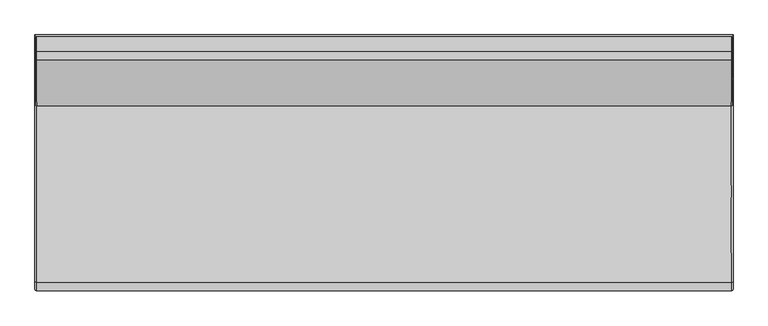
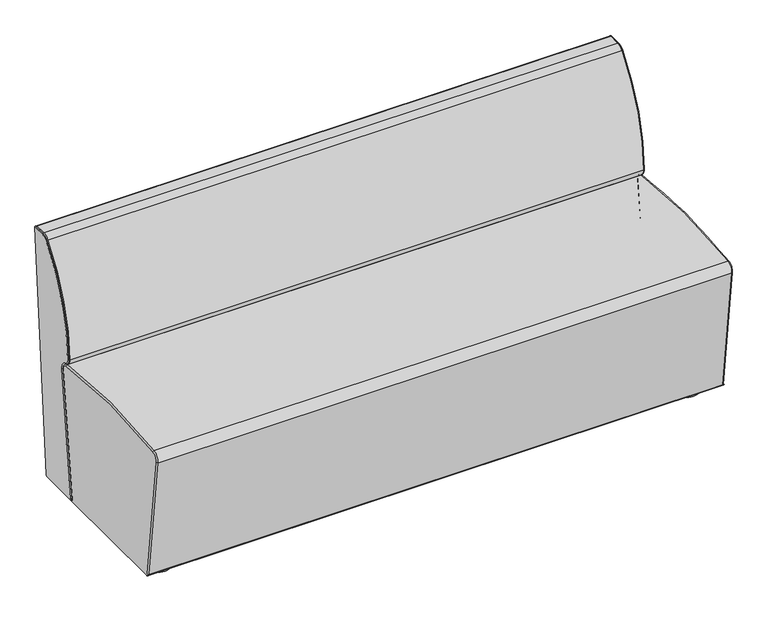
"""IFC4 building model written with IfcOpenShell, lengths in millimetres: furniture geometry."""

import ifcopenshell
import ifcopenshell.guid

model = None  # the IFC model being written
_history = None  # IfcOwnerHistory: only IFC2X3 demands one
_inside = {}  # id of a spatial element -> (the spatial element, [elements in it])
_under = {}  # id of a project, library or spatial element -> (it, [spatial elements below it])
_declared = {}  # id of a project -> (the project, [libraries it declares])
_typed = {}  # id of a type object -> (the type object, [elements of that type])
_made_of = {}  # id of a material, layer set ... -> (it, [elements and type objects made of it])


def new_model(schema):
    """Start an empty IFC model of exactly this schema.

    Asked for "IFC4X3", IfcOpenShell would pick the latest addendum, in which some entities
    have other attributes; the version numbers below select the first issue.
    IFC2X3 requires an IfcOwnerHistory on every rooted entity: one is made here for all.
    """
    global model, _history
    if schema == "IFC4X3":
        model = ifcopenshell.file(schema_version=(4, 3, 0, 0))
    else:
        model = ifcopenshell.file(schema=schema)
    _inside.clear()
    _under.clear()
    _declared.clear()
    _typed.clear()
    _made_of.clear()
    _history = None
    if model.schema == "IFC2X3":
        org = make("IfcOrganization", Name="unknown")
        user = make(
            "IfcPersonAndOrganization",
            ThePerson=make("IfcPerson", FamilyName="unknown"),
            TheOrganization=org,
        )
        app = make(
            "IfcApplication",
            ApplicationDeveloper=org,
            Version="unknown",
            ApplicationFullName="unknown",
            ApplicationIdentifier="unknown",
        )
        _history = make(
            "IfcOwnerHistory",
            OwningUser=user,
            OwningApplication=app,
            ChangeAction="ADDED",
            CreationDate=0,
        )
    return model


def make(cls, **values):
    """One entity of the class cls with the attributes given. An attribute that is None is left unset."""
    return model.create_entity(
        cls, **{name: value for name, value in values.items() if value is not None}
    )


def rooted(cls, **values):
    """An entity with a GlobalId (a new one), such as an element, a storey or a relation."""
    return make(cls, GlobalId=ifcopenshell.guid.new(), OwnerHistory=_history, **values)


def si_unit(unit_type, name, prefix=None):
    """IfcSIUnit, for example si_unit("LENGTHUNIT", "METRE", prefix="MILLI")."""
    return make("IfcSIUnit", UnitType=unit_type, Prefix=prefix, Name=name)


def assignment(units):
    """IfcUnitAssignment: the units of a project."""
    return None if units is None else make("IfcUnitAssignment", Units=units)


def point(xyz):
    """IfcCartesianPoint."""
    return None if xyz is None else make("IfcCartesianPoint", Coordinates=xyz)


def direction(xyz):
    """IfcDirection."""
    return None if xyz is None else make("IfcDirection", DirectionRatios=xyz)


def frame(location, z_axis=None, x_axis=None):
    """IfcAxis2Placement3D, a coordinate frame: its origin and axes. An axis left out is left unset."""
    return make(
        "IfcAxis2Placement3D",
        Location=point(location),
        Axis=direction(z_axis),
        RefDirection=direction(x_axis),
    )


def frame_2d(location, x_axis=None):
    """IfcAxis2Placement2D, a coordinate frame in the plane: its origin and x axis."""
    return make(
        "IfcAxis2Placement2D", Location=point(location), RefDirection=direction(x_axis)
    )


def origin():
    """The frame at (0, 0, 0) with its axes left unset."""
    return frame((0.0, 0.0, 0.0))


def origin_with_axes():
    """The frame at (0, 0, 0) with the z axis (0, 0, 1) and the x axis (1, 0, 0) written out."""
    return frame((0.0, 0.0, 0.0), z_axis=(0.0, 0.0, 1.0), x_axis=(1.0, 0.0, 0.0))


def place(relative_to, where):
    """IfcLocalPlacement: puts the frame where relative to a parent placement (None: the world)."""
    return make(
        "IfcLocalPlacement", PlacementRelTo=relative_to, RelativePlacement=where
    )


def context(
    kind, dimensions, precision=None, world=None, true_north=None, identifier=None
):
    """IfcGeometricRepresentationContext, for example the 3D "Model" context."""
    return make(
        "IfcGeometricRepresentationContext",
        ContextIdentifier=identifier,
        ContextType=kind,
        CoordinateSpaceDimension=dimensions,
        Precision=precision,
        WorldCoordinateSystem=world,
        TrueNorth=true_north,
    )


def project(units=None, contexts=None):
    """IfcProject with its units and contexts."""
    return rooted(
        "IfcProject",
        Name="project",
        RepresentationContexts=contexts,
        UnitsInContext=assignment(units),
    )


def spatial(cls, under=None, at=None, **own):
    """A site, building, storey or space (cls), placed at a placement, below another one or the project."""
    s = rooted(cls, ObjectPlacement=at, **own)
    if under is not None:
        _under.setdefault(under.id(), (under, []))[1].append(s)
    return s


def polyline(points):
    """IfcPolyline through the points."""
    return make("IfcPolyline", Points=[point(p) for p in points])


def circle_curve(where, radius):
    """IfcCircle in the frame where."""
    return make("IfcCircle", Position=where, Radius=radius)


def ellipse_curve(where, semi_axis1, semi_axis2):
    """IfcEllipse in the frame where."""
    return make(
        "IfcEllipse", Position=where, SemiAxis1=semi_axis1, SemiAxis2=semi_axis2
    )


def trimmed(basis, trim1, trim2, sense, master):
    """IfcTrimmedCurve: the piece of a basis curve between two trims."""
    return make(
        "IfcTrimmedCurve",
        BasisCurve=basis,
        Trim1=trim1,
        Trim2=trim2,
        SenseAgreement=sense,
        MasterRepresentation=master,
    )


def segment(curve, same_sense, transition):
    """IfcCompositeCurveSegment."""
    return make(
        "IfcCompositeCurveSegment",
        Transition=transition,
        SameSense=same_sense,
        ParentCurve=curve,
    )


def composite_curve(segments, self_intersect=None):
    """IfcCompositeCurve: segments joined end to end."""
    return make("IfcCompositeCurve", Segments=segments, SelfIntersect=self_intersect)


def outline(outer, holes=None, kind="AREA"):
    """IfcArbitraryClosedProfileDef: a profile drawn as a closed curve; with holes, ...WithVoids."""
    if holes is None:
        return make("IfcArbitraryClosedProfileDef", ProfileType=kind, OuterCurve=outer)
    return make(
        "IfcArbitraryProfileDefWithVoids",
        ProfileType=kind,
        OuterCurve=outer,
        InnerCurves=holes,
    )


def extrude(swept, where, along, depth):
    """IfcExtrudedAreaSolid: the profile swept, set in the frame where, extruded along a direction by depth."""
    return make(
        "IfcExtrudedAreaSolid",
        SweptArea=swept,
        Position=where,
        ExtrudedDirection=direction(along),
        Depth=depth,
    )


def shape(context_of_items, identifier, shape_type, items):
    """IfcShapeRepresentation: the items that make up one representation, for example the "Body"."""
    return make(
        "IfcShapeRepresentation",
        ContextOfItems=context_of_items,
        RepresentationIdentifier=identifier,
        RepresentationType=shape_type,
        Items=items,
    )


def source(mapping_origin, context_of_items, identifier, shape_type, items):
    """IfcRepresentationMap: a shape defined once, which mapped items show again and again."""
    return make(
        "IfcRepresentationMap",
        MappingOrigin=mapping_origin,
        MappedRepresentation=shape(context_of_items, identifier, shape_type, items),
    )


def transform(
    local_origin,
    x_axis=None,
    y_axis=None,
    z_axis=None,
    scale=None,
    scale2=None,
    scale3=None,
    uniform=True,
):
    """IfcCartesianTransformationOperator3D, or its non-uniform kind. x_axis, y_axis, z_axis: its Axis1, 2, 3."""
    if uniform:
        return make(
            "IfcCartesianTransformationOperator3D",
            Axis1=direction(x_axis),
            Axis2=direction(y_axis),
            LocalOrigin=point(local_origin),
            Scale=scale,
            Axis3=direction(z_axis),
        )
    return make(
        "IfcCartesianTransformationOperator3DnonUniform",
        Axis1=direction(x_axis),
        Axis2=direction(y_axis),
        LocalOrigin=point(local_origin),
        Scale=scale,
        Axis3=direction(z_axis),
        Scale2=scale2,
        Scale3=scale3,
    )


def mapped(mapping_source, mapping_target):
    """IfcMappedItem: shows the shape of a source again, moved by a transform."""
    return make(
        "IfcMappedItem", MappingSource=mapping_source, MappingTarget=mapping_target
    )


def made_of(thing, what):
    """Note that an element or type object is made of a material, layer set ...; save() writes the relation."""
    if what is not None:
        _made_of.setdefault(what.id(), (what, []))[1].append(thing)
    return thing


def element(
    cls,
    number,
    at=None,
    inside=None,
    cuts=None,
    type_object=None,
    material=None,
    context=None,
    identifier="Body",
    shape_type=None,
    held_by="IfcProductDefinitionShape",
    body=None,
    shapes=None,
    **own,
):
    """One element of the class cls, such as IfcWall. Its Tag is "e" and its number.

    at: its placement. inside: the storey or other place that contains it. cuts: it is an
    opening in that element (IfcRelVoidsElement). A single representation is given by context,
    identifier, shape_type and body (its items); several are given by shapes. held_by: the class
    of the entity that holds the representations. save() writes the other relations.
    """
    e = rooted(cls, Tag="e%d" % number, ObjectPlacement=at, **own)
    if body is not None:
        shapes = [shape(context, identifier, shape_type, body)]
    if shapes is not None:
        e.Representation = make(held_by, Representations=shapes)
    if inside is not None:
        _inside.setdefault(inside.id(), (inside, []))[1].append(e)
    if cuts is not None:
        rooted(
            "IfcRelVoidsElement", RelatingBuildingElement=cuts, RelatedOpeningElement=e
        )
    if type_object is not None:
        _typed.setdefault(type_object.id(), (type_object, []))[1].append(e)
    return made_of(e, material)


def aggregate(whole, parts):
    """IfcRelAggregates: a whole, such as a stair, and the parts it consists of."""
    return rooted("IfcRelAggregates", RelatingObject=whole, RelatedObjects=parts)


def save(model, path):
    """Write the relations noted so far, then the file.

    IfcRelAggregates (storeys below a building ...), IfcRelContainedInSpatialStructure (elements
    in a storey), IfcRelDefinesByType, IfcRelAssociatesMaterial and IfcRelDeclares: one each for
    every whole, place, type object, material and project.
    """
    for whole, parts in _under.values():
        aggregate(whole, parts)
    for where, things in _inside.values():
        rooted(
            "IfcRelContainedInSpatialStructure",
            RelatedElements=things,
            RelatingStructure=where,
        )
    for kind, things in _typed.values():
        rooted("IfcRelDefinesByType", RelatedObjects=things, RelatingType=kind)
    for what, things in _made_of.values():
        rooted("IfcRelAssociatesMaterial", RelatedObjects=things, RelatingMaterial=what)
    for by, libraries in _declared.values():
        rooted("IfcRelDeclares", RelatingContext=by, RelatedDefinitions=libraries)
    model.write(path)


def plane_surface(at):
    """IfcPlane: the flat surface through the origin of the frame at, square to its z axis."""
    return make("IfcPlane", Position=at)


def cylinder_surface(at, radius):
    """IfcCylindricalSurface: all points at the distance radius from the z axis of the frame at."""
    return make("IfcCylindricalSurface", Position=at, Radius=radius)


def revolved_surface(curve, axis_point, axis_direction):
    """IfcSurfaceOfRevolution: the curve turned about the line through axis_point along axis_direction."""
    return make(
        "IfcSurfaceOfRevolution",
        SweptCurve=make("IfcArbitraryOpenProfileDef", ProfileType="CURVE", Curve=curve),
        AxisPosition=make("IfcAxis1Placement", Location=point(axis_point), Axis=direction(axis_direction)),
    )


def advanced_brep(points, edges, surfaces, faces):
    """IfcAdvancedBrep: a solid bounded by faces that lie on surfaces and meet in shared edges.

    An edge is (start, end): straight between two places in points (the first is 0);
    or (start, end, curve); or (start, end, curve, False) where it runs against its curve.
    A face is (place in surfaces, loops), or (place, loops, False) where it looks against
    its surface's normal. A loop lists edges by number (the first is 1), with a minus sign
    where the edge is run from its end to its start. The first loop is the outer one.
    """
    corners = [point(p) for p in points]
    vertices = [make("IfcVertexPoint", VertexGeometry=c) for c in corners]
    made = []
    for start, end, *more in edges:
        made.append(
            make(
                "IfcEdgeCurve",
                EdgeStart=vertices[start],
                EdgeEnd=vertices[end],
                EdgeGeometry=more[0] if more else make("IfcPolyline", Points=[corners[start], corners[end]]),
                SameSense=more[1] if len(more) > 1 else True,
            )
        )
    hull = []
    for where, loops, *sense in faces:
        bounds = []
        for j, loop in enumerate(loops):
            ring = [make("IfcOrientedEdge", EdgeElement=made[abs(k) - 1], Orientation=k > 0) for k in loop]
            bounds.append(
                make(
                    "IfcFaceOuterBound" if j == 0 else "IfcFaceBound",
                    Bound=make("IfcEdgeLoop", EdgeList=ring),
                    Orientation=True,
                )
            )
        hull.append(make("IfcAdvancedFace", Bounds=bounds, FaceSurface=surfaces[where], SameSense=sense[0] if sense else True))
    return make("IfcAdvancedBrep", Outer=make("IfcClosedShell", CfsFaces=hull))


def furniture_56fa1c7f(model_context):
    return source(origin(), model_context, "Body", "SolidModel", [
        advanced_brep(
        [(-895.0, 221.524199, 484.6909581), (-895.0, 238.6576062, 460.7221454), (895.0, 238.6576062, 460.7221454), (895.0, 221.524199, 484.6909581), (-898.0, 238.9722245, 461.6713637), (898.0, 238.9722245, 461.6713637), (-898.0, 222.5241535, 484.6814239), (898.0, 222.5241535, 484.6814239), (-898.0, 339.7994218, 808.3627036), (898.0, 339.7994218, 808.3627036), (-895.0, 339.0254308, 808.9959002), (895.0, 339.0254308, 808.9959002), (-898.0, 362.2451605, 819.0000019), (898.0, 362.2451605, 819.0000019), (-898.0, 398.836205, 819.0000019), (898.0, 398.836205, 819.0000019), (-895.0, 398.836205, 820.0000019), (895.0, 398.836205, 820.0000019), (-895.0, 362.2451605, 820.0000019), (895.0, 362.2451605, 820.0000019)],
        [
            (0, 1, circle_curve(frame((-895.0, 246.5230627, 484.4526025), z_axis=(1.0, 0.0, 0.0), x_axis=(0.0, 1.0, 0.0)), 25.0)),
            (1, 2),
            (2, 3, circle_curve(frame((895.0, 246.5230627, 484.4526025), z_axis=(-1.0, 0.0, 0.0), x_axis=(0.0, 1.0, 0.0)), 25.0)),
            (3, 0),
            (1, 4, circle_curve(frame((-895.0, 240.2306975, 465.4682368), z_axis=(0.0, 0.949218284530683, -0.3146182580725843), x_axis=(0.0, -0.3146182580725843, -0.949218284530683)), 5.0)),
            (4, 5),
            (5, 2, circle_curve(frame((895.0, 240.2306975, 465.4682368), z_axis=(0.0, 0.949218284530686, -0.3146182580725755), x_axis=(0.0, -0.3146182580725755, -0.949218284530686)), 5.0)),
            (4, 6, circle_curve(frame((-898.0, 246.5230627, 484.4526025), z_axis=(-1.0, 0.0, 0.0), x_axis=(0.0, 1.0, 0.0)), 24.0)),
            (6, 7),
            (7, 5, circle_curve(frame((898.0, 246.5230627, 484.4526025), z_axis=(1.0, 0.0, 0.0), x_axis=(0.0, 1.0, 0.0)), 24.0)),
            (6, 8, circle_curve(frame((-898.0, 741.5013672, 479.7331542), z_axis=(-1.0, 0.0, 0.0), x_axis=(0.0, -1.0, 0.0)), 519.0008031)),
            (8, 9),
            (9, 7, circle_curve(frame((898.0, 741.5013672, 479.7331542), z_axis=(1.0, 0.0, 0.0), x_axis=(0.0, -1.0, 0.0)), 519.0008031)),
            (10, 0, circle_curve(frame((-895.0, 741.5013672, 479.7331542), z_axis=(1.0, 0.0, 0.0), x_axis=(0.0, -1.0, 0.0)), 520.0008031)),
            (3, 11, circle_curve(frame((895.0, 741.5013672, 479.7331542), z_axis=(-1.0, 0.0, 0.0), x_axis=(0.0, -1.0, 0.0)), 520.0008031)),
            (11, 10),
            (8, 12, circle_curve(frame((-898.0, 362.2451605, 790.0000019), z_axis=(-1.0, 0.0, 0.0), x_axis=(0.0, -1.0, 0.0)), 29.0)),
            (12, 13),
            (13, 9, circle_curve(frame((898.0, 362.2451605, 790.0000019), z_axis=(1.0, 0.0, 0.0), x_axis=(0.0, -1.0, 0.0)), 29.0)),
            (12, 14),
            (14, 15),
            (15, 13),
            (14, 16, circle_curve(frame((-895.0, 398.836205, 815.0000019), z_axis=(0.0, 1.0, 0.0), x_axis=(0.0, 0.0, 1.0)), 5.0)),
            (16, 17),
            (17, 15, circle_curve(frame((895.0, 398.836205, 815.0000019), z_axis=(0.0, 1.0, 0.0), x_axis=(0.0, 0.0, 1.0)), 5.0)),
            (16, 18),
            (18, 19),
            (19, 17),
            (18, 10, circle_curve(frame((-895.0, 362.2451605, 790.0000019), z_axis=(1.0, 0.0, 0.0), x_axis=(0.0, -1.0, 0.0)), 30.0)),
            (11, 19, circle_curve(frame((895.0, 362.2451605, 790.0000019), z_axis=(-1.0, 0.0, 0.0), x_axis=(0.0, -1.0, 0.0)), 30.0)),
            (0, 6, circle_curve(frame((-895.0, 226.5239717, 484.643287), z_axis=(0.0, -0.009534223590339619, -0.9999545482573343), x_axis=(0.0, -0.9999545482573343, 0.009534223590339619)), 5.0)),
            (10, 8, circle_curve(frame((-895.0, 342.8953858, 805.8299171), z_axis=(0.0, -0.6331966105556619, -0.7739909898576477), x_axis=(0.0, -0.7739909898576477, 0.6331966105556619)), 5.0)),
            (18, 12, circle_curve(frame((-895.0, 362.2451605, 815.0000019), z_axis=(0.0, -1.0, 0.0), x_axis=(0.0, 0.0, 1.0)), 5.0)),
            (19, 13, circle_curve(frame((895.0, 362.2451605, 815.0000019), z_axis=(0.0, 1.0, 0.0), x_axis=(0.0, 0.0, 1.0)), 5.0)),
            (11, 9, circle_curve(frame((895.0, 342.8953858, 805.8299171), z_axis=(0.0, 0.6331966105558358, 0.7739909898575056), x_axis=(0.0, -0.7739909898575056, 0.6331966105558358)), 5.0)),
            (3, 7, circle_curve(frame((895.0, 226.5239717, 484.643287), z_axis=(0.0, 0.00953422359035283, 0.9999545482573342), x_axis=(0.0, -0.9999545482573342, 0.00953422359035283)), 5.0)),
        ],
        [
            cylinder_surface(frame((-900.0, 246.5230627, 484.4526025), z_axis=(1.0, 0.0, 0.0), x_axis=(0.0, 1.0, 0.0)), 25.0),
            plane_surface(frame((900.0, 238.6576062, 460.7221454), z_axis=(0.0, 0.9492182845306205, -0.31461825807277327), x_axis=(-1.0, 0.0, 0.0))),
            revolved_surface(polyline([(-898.0, 270.52306269999997, 484.4526025), (898.0, 270.52306269999997, 484.4526025)]), (-900.0, 246.5230627, 484.4526025), (-1.0, 0.0, 0.0)),
            revolved_surface(polyline([(-898.0, 222.50056410000002, 479.7331542), (898.0, 222.50056410000002, 479.7331542)]), (-900.0, 741.5013672, 479.7331542), (-1.0, 0.0, 0.0)),
            cylinder_surface(frame((-900.0, 741.5013672, 479.7331542), z_axis=(1.0, 0.0, 0.0), x_axis=(0.0, -1.0, 0.0)), 520.0008031),
            revolved_surface(polyline([(-898.0, 333.2451605, 790.0000019), (898.0, 333.2451605, 790.0000019)]), (-900.0, 362.2451605, 790.0000019), (-1.0, 0.0, 0.0)),
            plane_surface(frame((900.0, 362.2451605, 819.0000019), z_axis=(0.0, 0.0, -1.0), x_axis=(-1.0, 0.0, 0.0))),
            plane_surface(frame((900.0, 398.836205, 819.0000019), z_axis=(0.0, 1.0, 0.0), x_axis=(-1.0, 0.0, 0.0))),
            plane_surface(frame((900.0, 398.836205, 820.0000019), z_axis=(0.0, 0.0, 1.0), x_axis=(-1.0, 0.0, 0.0))),
            cylinder_surface(frame((-900.0, 362.2451605, 790.0000019), z_axis=(1.0, 0.0, 0.0), x_axis=(0.0, -1.0, 0.0)), 30.0),
            revolved_surface(trimmed(ellipse_curve(frame((-895.0, 240.2306975, 465.4682368), z_axis=(0.0, 0.949218284530683, -0.3146182580725843), x_axis=(0.0, -0.3146182580725843, -0.949218284530683)), 5.0, 5.0), [point((-895.0, 238.6576062, 460.7221454))], [point((-900.0, 240.2306975, 465.4682368))], True, "CARTESIAN"), (-900.0, 246.5230627, 484.4526025), (-1.0, 0.0, 0.0)),
            revolved_surface(trimmed(ellipse_curve(frame((-895.0, 226.5239717, 484.643287), z_axis=(0.0, -0.009534223590345947, -0.9999545482573342), x_axis=(0.0, -0.9999545482573342, 0.009534223590345947)), 5.0, 5.0), [point((-895.0, 221.524199, 484.6909581))], [point((-900.0, 226.5239717, 484.643287))], True, "CARTESIAN"), (-900.0, 741.5013672, 479.7331542), (-1.0, 0.0, 0.0)),
            revolved_surface(trimmed(ellipse_curve(frame((-895.0, 342.8953858, 805.8299171), z_axis=(0.0, -0.6331966105557395, -0.7739909898575843), x_axis=(0.0, -0.7739909898575843, 0.6331966105557395)), 5.0, 5.0), [point((-895.0, 339.0254308, 808.9959002))], [point((-900.0, 342.8953858, 805.8299171))], True, "CARTESIAN"), (-900.0, 362.2451605, 790.0000019), (-1.0, 0.0, 0.0)),
            cylinder_surface(frame((-895.0, 362.2451605, 815.0000019), z_axis=(0.0, 1.0, 0.0), x_axis=(0.0, 0.0, 1.0)), 5.0),
            cylinder_surface(frame((895.0, 407.2451605, 815.0000019), z_axis=(0.0, -1.0, 0.0), x_axis=(0.0, 0.0, 1.0)), 5.0),
            revolved_surface(trimmed(ellipse_curve(frame((895.0, 362.2451605, 815.0000019), z_axis=(0.0, 1.0, 0.0), x_axis=(0.0, 0.0, 1.0)), 5.0, 5.0), [point((895.0, 362.2451605, 820.0000019))], [point((900.0, 362.2451605, 815.0000019))], True, "CARTESIAN"), (900.0, 362.2451605, 790.0000019), (1.0, 0.0, 0.0)),
            revolved_surface(trimmed(ellipse_curve(frame((895.0, 342.8953858, 805.8299171), z_axis=(0.0, 0.6331966105556678, 0.7739909898576429), x_axis=(0.0, -0.7739909898576429, 0.6331966105556678)), 5.0, 5.0), [point((895.0, 339.0254308, 808.9959002))], [point((900.0, 342.8953858, 805.8299171))], True, "CARTESIAN"), (900.0, 741.5013672, 479.7331542), (1.0, 0.0, 0.0)),
            revolved_surface(trimmed(ellipse_curve(frame((895.0, 226.5239717, 484.643287), z_axis=(0.0, 0.009534223590477953, 0.999954548257333), x_axis=(0.0, -0.999954548257333, 0.009534223590477953)), 5.0, 5.0), [point((895.0, 221.524199, 484.6909581))], [point((900.0, 226.5239717, 484.643287))], True, "CARTESIAN"), (900.0, 246.5230627, 484.4526025), (1.0, 0.0, 0.0)),
        ],
        [
            (0, [[1, 2, 3, 4]]),
            (1, [[5, 6, 7, -2]]),
            (2, [[8, 9, 10, -6]]),
            (3, [[11, 12, 13, -9]]),
            (4, [[14, -4, 15, 16]]),
            (5, [[17, 18, 19, -12]]),
            (6, [[20, 21, 22, -18]]),
            (7, [[23, 24, 25, -21]]),
            (8, [[26, 27, 28, -24]]),
            (9, [[29, -16, 30, -27]]),
            (10, [[31, -8, -5, -1]]),
            (11, [[-31, -14, 32, -11]]),
            (12, [[-32, -29, 33, -17]]),
            (13, [[-33, -26, -23, -20]]),
            (14, [[34, -22, -25, -28]]),
            (15, [[35, -19, -34, -30]]),
            (16, [[36, -13, -35, -15]]),
            (17, [[-36, -3, -7, -10]]),
        ],
    ),
        advanced_brep(
        [(900.0, 342.4334712, 34.6077039), (900.0, 403.8207917, 814.6077065), (900.0, 403.836205, 815.0000019), (900.0, 362.2451605, 815.0000019), (900.0, 342.8953858, 805.8299171), (900.0, 226.5239717, 484.643287), (900.0, 240.2306975, 465.4682368), (900.0, 260.5669798, 433.3229695), (900.0, 211.4874395, 34.9999993), (900.0, 206.5249679, 35.6114525), (900.0, 211.4874395, 29.9999993), (900.0, 337.4488846, 29.9999993), (-900.0, 342.4334712, 34.6077039), (-900.0, 337.4488846, 29.9999993), (-900.0, 211.4874395, 29.9999993), (-900.0, 206.5249679, 35.6114525), (-900.0, 211.4874395, 34.9999993), (-900.0, 260.5669798, 433.3229695), (-900.0, 240.2306975, 465.4682368), (-900.0, 226.5239717, 484.643287), (-900.0, 342.8953858, 805.8299171), (-900.0, 362.2451605, 815.0000019), (-900.0, 403.836205, 815.0000019), (-900.0, 403.8207917, 814.6077065), (-895.0, 398.836205, 820.0000019), (895.0, 398.836205, 820.0000019), (-895.0, 238.6576062, 460.7221454), (-895.0, 255.6045081, 433.9344226), (895.0, 255.6045081, 433.9344226), (895.0, 238.6576062, 460.7221454), (-895.0, 206.5249679, 35.6114525), (895.0, 206.5249679, 35.6114525), (-898.0, 398.836205, 819.0000019), (898.0, 398.836205, 819.0000019), (-898.0, 362.2451605, 819.0000019), (898.0, 362.2451605, 819.0000019), (-898.0, 339.7994218, 808.3627036), (898.0, 339.7994218, 808.3627036), (-898.0, 222.5241535, 484.6814239), (898.0, 222.5241535, 484.6814239), (-898.0, 238.9722245, 461.6713637), (898.0, 238.9722245, 461.6713637)],
        [
            (0, 1),
            (1, 2, circle_curve(frame((900.0, 398.836205, 815.0000019), z_axis=(1.0, 0.0, 0.0), x_axis=(0.0, -1.0, 0.0)), 5.0)),
            (2, 3),
            (3, 4, circle_curve(frame((900.0, 362.2451605, 790.0000019), z_axis=(1.0, 0.0, 0.0), x_axis=(0.0, 0.0, 1.0)), 25.0)),
            (4, 5, circle_curve(frame((900.0, 741.5013672, 479.7331542), z_axis=(1.0, 0.0, 0.0), x_axis=(0.0, -0.7739909898576431, 0.6331966105556676)), 515.0008031)),
            (5, 6, circle_curve(frame((900.0, 246.5230627, 484.4526025), z_axis=(1.0, 0.0, 0.0), x_axis=(0.0, -0.999954548257333, 0.009534223590477758)), 20.0)),
            (6, 7, circle_curve(frame((900.0, 230.7921498, 436.9916883), z_axis=(-1.0, 0.0, 0.0), x_axis=(0.0, 0.3146182580725195, 0.9492182845307046)), 30.0)),
            (7, 8),
            (8, 9),
            (9, 10, circle_curve(frame((900.0, 211.4874395, 34.9999993), z_axis=(1.0, 0.0, 0.0), x_axis=(0.0, -1.0, 0.0)), 5.0)),
            (10, 11),
            (11, 0, circle_curve(frame((900.0, 337.4488846, 34.9999993), z_axis=(1.0, 0.0, 0.0), x_axis=(0.0, -1.0, 0.0)), 5.0)),
            (12, 13, circle_curve(frame((-900.0, 337.4488846, 34.9999993), z_axis=(-1.0, 0.0, 0.0), x_axis=(0.0, -1.0, 0.0)), 5.0)),
            (13, 14),
            (14, 15, circle_curve(frame((-900.0, 211.4874395, 34.9999993), z_axis=(-1.0, 0.0, 0.0), x_axis=(0.0, -1.0, 0.0)), 5.0)),
            (15, 16),
            (16, 17),
            (17, 18, circle_curve(frame((-900.0, 230.7921498, 436.9916883), z_axis=(1.0, 0.0, 0.0), x_axis=(0.0, 0.9924943338041953, -0.12229062665047821)), 30.0)),
            (18, 19, circle_curve(frame((-900.0, 246.5230627, 484.4526025), z_axis=(-1.0, 0.0, 0.0), x_axis=(0.0, -0.31461825807258437, -0.949218284530683)), 20.0)),
            (19, 20, circle_curve(frame((-900.0, 741.5013672, 479.7331542), z_axis=(-1.0, 0.0, 0.0), x_axis=(0.0, -0.9999545482573342, 0.009534223590345947)), 515.0008031)),
            (20, 21, circle_curve(frame((-900.0, 362.2451605, 790.0000019), z_axis=(-1.0, 0.0, 0.0), x_axis=(0.0, -0.7739909898575844, 0.6331966105557394)), 25.0)),
            (21, 22),
            (22, 23, circle_curve(frame((-900.0, 398.836205, 815.0000019), z_axis=(-1.0, 0.0, 0.0), x_axis=(0.0, -1.0, 0.0)), 5.0)),
            (23, 12),
            (0, 12),
            (23, 1),
            (22, 24, ellipse_curve(frame((-895.0, 398.836205, 815.0000019), z_axis=(0.7071067811865475, 0.7071067811865475, 0.0), x_axis=(0.7071067811865476, -0.7071067811865474, 0.0)), 7.0710678, 5.0)),
            (24, 25),
            (25, 2, ellipse_curve(frame((895.0, 398.836205, 815.0000019), z_axis=(-0.7071067811865475, 0.7071067811865475, 0.0), x_axis=(0.7071067811865476, 0.7071067811865474, 0.0)), 7.0710678, 5.0)),
            (26, 27, circle_curve(frame((-895.0, 230.7921498, 436.9916883), z_axis=(-1.0, 0.0, 0.0), x_axis=(0.0, -1.0, 0.0)), 25.0)),
            (27, 28),
            (28, 29, circle_curve(frame((895.0, 230.7921498, 436.9916883), z_axis=(1.0, 0.0, 0.0), x_axis=(0.0, -1.0, 0.0)), 25.0)),
            (29, 26),
            (27, 30),
            (30, 31),
            (31, 28),
            (9, 31),
            (30, 15),
            (14, 10),
            (13, 11),
            (24, 32, circle_curve(frame((-895.0, 398.836205, 815.0000019), z_axis=(0.0, -1.0, 0.0), x_axis=(0.0, 0.0, 1.0)), 5.0)),
            (32, 33),
            (33, 25, circle_curve(frame((895.0, 398.836205, 815.0000019), z_axis=(0.0, -1.0, 0.0), x_axis=(0.0, 0.0, 1.0)), 5.0)),
            (32, 34),
            (34, 35),
            (35, 33),
            (34, 36, circle_curve(frame((-898.0, 362.2451605, 790.0000019), z_axis=(1.0, 0.0, 0.0), x_axis=(0.0, -1.0, 0.0)), 29.0)),
            (36, 37),
            (37, 35, circle_curve(frame((898.0, 362.2451605, 790.0000019), z_axis=(-1.0, 0.0, 0.0), x_axis=(0.0, -1.0, 0.0)), 29.0)),
            (36, 38, circle_curve(frame((-898.0, 741.5013672, 479.7331542), z_axis=(1.0, 0.0, 0.0), x_axis=(0.0, -1.0, 0.0)), 519.0008031)),
            (38, 39),
            (39, 37, circle_curve(frame((898.0, 741.5013672, 479.7331542), z_axis=(-1.0, 0.0, 0.0), x_axis=(0.0, -1.0, 0.0)), 519.0008031)),
            (38, 40, circle_curve(frame((-898.0, 246.5230627, 484.4526025), z_axis=(1.0, 0.0, 0.0), x_axis=(0.0, 1.0, 0.0)), 24.0)),
            (40, 41),
            (41, 39, circle_curve(frame((898.0, 246.5230627, 484.4526025), z_axis=(-1.0, 0.0, 0.0), x_axis=(0.0, 1.0, 0.0)), 24.0)),
            (40, 26, circle_curve(frame((-895.0, 240.2306975, 465.4682368), z_axis=(0.0, -0.9492182845307011, 0.3146182580725294), x_axis=(0.0, -0.3146182580725294, -0.9492182845307011)), 5.0)),
            (29, 41, circle_curve(frame((895.0, 240.2306975, 465.4682368), z_axis=(0.0, -0.9492182845307046, 0.3146182580725196), x_axis=(0.0, -0.3146182580725196, -0.9492182845307046)), 5.0)),
            (30, 16, circle_curve(frame((-895.0, 211.4874395, 34.9999993), z_axis=(0.0, -0.12229062665048503, -0.9924943338041944), x_axis=(0.0, -0.9924943338041944, 0.12229062665048503)), 5.0)),
            (27, 17, circle_curve(frame((-895.0, 260.5669798, 433.3229695), z_axis=(0.0, -0.12229062665048503, -0.9924943338041944), x_axis=(0.0, -0.9924943338041944, 0.12229062665048503)), 5.0)),
            (40, 18, circle_curve(frame((-895.0, 240.2306975, 465.4682368), z_axis=(0.0, 0.9492182845307011, -0.3146182580725294), x_axis=(0.0, -0.3146182580725294, -0.9492182845307011)), 5.0)),
            (38, 19, circle_curve(frame((-895.0, 226.5239717, 484.643287), z_axis=(0.0, -0.009534223590483448, -0.9999545482573329), x_axis=(0.0, -0.9999545482573329, 0.009534223590483448)), 5.0)),
            (36, 20, circle_curve(frame((-895.0, 342.8953858, 805.8299171), z_axis=(0.0, -0.6331966105556723, -0.7739909898576393), x_axis=(0.0, -0.7739909898576393, 0.6331966105556723)), 5.0)),
            (34, 21, circle_curve(frame((-895.0, 362.2451605, 815.0000019), z_axis=(0.0, -1.0, 0.0), x_axis=(0.0, 0.0, 1.0)), 5.0)),
            (35, 3, circle_curve(frame((895.0, 362.2451605, 815.0000019), z_axis=(0.0, 1.0, 0.0), x_axis=(0.0, 0.0, 1.0)), 5.0)),
            (37, 4, circle_curve(frame((895.0, 342.8953858, 805.8299171), z_axis=(0.0, 0.6331966105559279, 0.7739909898574301), x_axis=(0.0, -0.7739909898574301, 0.6331966105559279)), 5.0)),
            (39, 5, circle_curve(frame((895.0, 226.5239717, 484.643287), z_axis=(0.0, 0.009534223590352942, 0.9999545482573342), x_axis=(0.0, -0.9999545482573342, 0.009534223590352942)), 5.0)),
            (41, 6, circle_curve(frame((895.0, 240.2306975, 465.4682368), z_axis=(0.0, -0.9492182845306794, 0.31461825807259536), x_axis=(0.0, -0.31461825807259536, -0.9492182845306794)), 5.0)),
            (28, 7, circle_curve(frame((895.0, 260.5669798, 433.3229695), z_axis=(0.0, 0.12229062665048293, 0.9924943338041947), x_axis=(0.0, -0.9924943338041947, 0.12229062665048293)), 5.0)),
            (8, 31, circle_curve(frame((895.0, 211.4874395, 34.9999993), z_axis=(0.0, -0.12229062665048511, -0.9924943338041944), x_axis=(0.0, -0.9924943338041944, 0.12229062665048511)), 5.0)),
        ],
        [
            plane_surface(frame((900.0, 403.820794, 814.6077357), z_axis=(1.0, 0.0, 0.0), x_axis=(0.0, 0.07845908166168687, 0.9969173348401585))),
            plane_surface(frame((-900.0, 403.820794, 814.6077357), z_axis=(-1.0, 0.0, 0.0), x_axis=(0.0, -0.07845908166168687, -0.9969173348401585))),
            plane_surface(frame((900.0, 342.4334712, 34.6077039), z_axis=(0.0, 0.9969173348401585, -0.07845908166168687), x_axis=(-1.0, 0.0, 0.0))),
            cylinder_surface(frame((-900.0, 398.836205, 815.0000019), z_axis=(1.0, 0.0, 0.0), x_axis=(0.0, -1.0, 0.0)), 5.0),
            revolved_surface(polyline([(-895.0, 205.7921498, 436.9916883), (895.0, 205.7921498, 436.9916883)]), (-900.0, 230.7921498, 436.9916883), (-1.0, 0.0, 0.0)),
            plane_surface(frame((900.0, 255.6045081, 433.9344226), z_axis=(0.0, -0.9924943338041945, 0.12229062665048508), x_axis=(-1.0, 0.0, 0.0))),
            cylinder_surface(frame((-900.0, 211.4874395, 34.9999993), z_axis=(1.0, 0.0, 0.0), x_axis=(0.0, -1.0, 0.0)), 5.0),
            plane_surface(frame((900.0, 211.4874395, 29.9999993), z_axis=(0.0, 0.0, -1.0), x_axis=(-1.0, 0.0, 0.0))),
            cylinder_surface(frame((-900.0, 337.4488846, 34.9999993), z_axis=(1.0, 0.0, 0.0), x_axis=(0.0, -1.0, 0.0)), 5.0),
            plane_surface(frame((900.0, 398.836205, 820.0000019), z_axis=(0.0, -1.0, 0.0), x_axis=(-1.0, 0.0, 0.0))),
            plane_surface(frame((900.0, 398.836205, 819.0000019), z_axis=(0.0, 0.0, 1.0), x_axis=(-1.0, 0.0, 0.0))),
            cylinder_surface(frame((-900.0, 362.2451605, 790.0000019), z_axis=(1.0, 0.0, 0.0), x_axis=(0.0, -1.0, 0.0)), 29.0),
            cylinder_surface(frame((-900.0, 741.5013672, 479.7331542), z_axis=(1.0, 0.0, 0.0), x_axis=(0.0, -1.0, 0.0)), 519.0008031),
            cylinder_surface(frame((-900.0, 246.5230627, 484.4526025), z_axis=(1.0, 0.0, 0.0), x_axis=(0.0, 1.0, 0.0)), 24.0),
            plane_surface(frame((900.0, 238.9722245, 461.6713637), z_axis=(0.0, -0.9492182845306811, 0.3146182580725903), x_axis=(-1.0, 0.0, 0.0))),
            plane_surface(frame((-900.0, 206.5249679, 35.6114525), z_axis=(0.0, 0.12229062665048503, 0.9924943338041944), x_axis=(-1.0, 0.0, 0.0))),
            cylinder_surface(frame((-895.0, 211.4874395, 34.9999993), z_axis=(0.0, 0.12229062665048503, 0.9924943338041944), x_axis=(0.0, -0.9924943338041944, 0.12229062665048503)), 5.0),
            revolved_surface(trimmed(ellipse_curve(frame((-895.0, 260.5669798, 433.3229695), z_axis=(0.0, -0.12229062665047823, -0.9924943338041953), x_axis=(0.0, -0.9924943338041953, 0.12229062665047823)), 5.0, 5.0), [point((-895.0, 255.6045081, 433.9344226))], [point((-900.0, 260.5669798, 433.3229695))], True, "CARTESIAN"), (-900.0, 230.7921498, 436.9916883), (1.0, 0.0, 0.0)),
            revolved_surface(trimmed(ellipse_curve(frame((-895.0, 240.2306975, 465.4682368), z_axis=(0.0, 0.949218284530683, -0.3146182580725843), x_axis=(0.0, -0.3146182580725843, -0.949218284530683)), 5.0, 5.0), [point((-895.0, 238.6576062, 460.7221454))], [point((-900.0, 240.2306975, 465.4682368))], True, "CARTESIAN"), (-900.0, 246.5230627, 484.4526025), (-1.0, 0.0, 0.0)),
            revolved_surface(trimmed(ellipse_curve(frame((-895.0, 226.5239717, 484.643287), z_axis=(0.0, -0.009534223590345947, -0.9999545482573342), x_axis=(0.0, -0.9999545482573342, 0.009534223590345947)), 5.0, 5.0), [point((-895.0, 221.524199, 484.6909581))], [point((-900.0, 226.5239717, 484.643287))], True, "CARTESIAN"), (-900.0, 741.5013672, 479.7331542), (-1.0, 0.0, 0.0)),
            revolved_surface(trimmed(ellipse_curve(frame((-895.0, 342.8953858, 805.8299171), z_axis=(0.0, -0.6331966105557395, -0.7739909898575843), x_axis=(0.0, -0.7739909898575843, 0.6331966105557395)), 5.0, 5.0), [point((-895.0, 339.0254308, 808.9959002))], [point((-900.0, 342.8953858, 805.8299171))], True, "CARTESIAN"), (-900.0, 362.2451605, 790.0000019), (-1.0, 0.0, 0.0)),
            cylinder_surface(frame((-895.0, 362.2451605, 815.0000019), z_axis=(0.0, 1.0, 0.0), x_axis=(0.0, 0.0, 1.0)), 5.0),
            cylinder_surface(frame((895.0, 407.2451605, 815.0000019), z_axis=(0.0, -1.0, 0.0), x_axis=(0.0, 0.0, 1.0)), 5.0),
            revolved_surface(trimmed(ellipse_curve(frame((895.0, 362.2451605, 815.0000019), z_axis=(0.0, 1.0, 0.0), x_axis=(0.0, 0.0, 1.0)), 5.0, 5.0), [point((895.0, 362.2451605, 820.0000019))], [point((900.0, 362.2451605, 815.0000019))], True, "CARTESIAN"), (900.0, 362.2451605, 790.0000019), (1.0, 0.0, 0.0)),
            revolved_surface(trimmed(ellipse_curve(frame((895.0, 342.8953858, 805.8299171), z_axis=(0.0, 0.6331966105556678, 0.7739909898576429), x_axis=(0.0, -0.7739909898576429, 0.6331966105556678)), 5.0, 5.0), [point((895.0, 339.0254308, 808.9959002))], [point((900.0, 342.8953858, 805.8299171))], True, "CARTESIAN"), (900.0, 741.5013672, 479.7331542), (1.0, 0.0, 0.0)),
            revolved_surface(trimmed(ellipse_curve(frame((895.0, 226.5239717, 484.643287), z_axis=(0.0, 0.009534223590477953, 0.999954548257333), x_axis=(0.0, -0.999954548257333, 0.009534223590477953)), 5.0, 5.0), [point((895.0, 221.524199, 484.6909581))], [point((900.0, 226.5239717, 484.643287))], True, "CARTESIAN"), (900.0, 246.5230627, 484.4526025), (1.0, 0.0, 0.0)),
            revolved_surface(trimmed(ellipse_curve(frame((895.0, 240.2306975, 465.4682368), z_axis=(0.0, -0.9492182845307046, 0.3146182580725196), x_axis=(0.0, -0.3146182580725196, -0.9492182845307046)), 5.0, 5.0), [point((895.0, 238.6576062, 460.7221454))], [point((900.0, 240.2306975, 465.4682368))], True, "CARTESIAN"), (900.0, 230.7921498, 436.9916883), (-1.0, 0.0, 0.0)),
            plane_surface(frame((900.0, 206.5249679, 35.6114525), z_axis=(0.0, 0.12229062665048503, 0.9924943338041944), x_axis=(1.0, 0.0, 0.0))),
            cylinder_surface(frame((895.0, 260.5669798, 433.3229695), z_axis=(0.0, -0.12229062665048511, -0.9924943338041944), x_axis=(0.0, -0.9924943338041944, 0.12229062665048511)), 5.0),
        ],
        [
            (0, [[1, 2, 3, 4, 5, 6, 7, 8, 9, 10, 11, 12]]),
            (1, [[13, 14, 15, 16, 17, 18, 19, 20, 21, 22, 23, 24]]),
            (2, [[-1, 25, -24, 26]]),
            (3, [[-26, -23, 27, 28, 29, -2]]),
            (4, [[30, 31, 32, 33]]),
            (5, [[34, 35, 36, -31]]),
            (6, [[-10, 37, -35, 38, -15, 39]]),
            (7, [[-11, -39, -14, 40]]),
            (8, [[-12, -40, -13, -25]]),
            (9, [[41, 42, 43, -28]]),
            (10, [[44, 45, 46, -42]]),
            (11, [[47, 48, 49, -45]]),
            (12, [[50, 51, 52, -48]]),
            (13, [[53, 54, 55, -51]]),
            (14, [[56, -33, 57, -54]]),
            (15, [[58, -16, -38]]),
            (16, [[-58, -34, 59, -17]]),
            (17, [[-59, -30, -56, 60, -18]]),
            (18, [[61, -19, -60, -53]]),
            (19, [[62, -20, -61, -50]]),
            (20, [[63, -21, -62, -47]]),
            (21, [[-63, -44, -41, -27, -22]]),
            (22, [[64, -3, -29, -43, -46]]),
            (23, [[-64, -49, 65, -4]]),
            (24, [[-65, -52, 66, -5]]),
            (25, [[-66, -55, 67, -6]]),
            (26, [[68, -7, -67, -57, -32]]),
            (27, [[69, -37, -9]]),
            (28, [[-68, -36, -69, -8]]),
        ],
    ),
        advanced_brep(
        [(-900.0, 206.3750828, 34.3906528), (-900.0, 201.412352, 29.9999993), (-900.0, -200.5276094, 29.9999993), (-900.0, -206.4828863, 35.2687832), (-900.0, -201.5201556, 35.87813), (-900.0, -250.4781915, 434.6093051), (-900.0, -233.3810316, 456.8562047), (-900.0, 233.3810317, 456.8562047), (-900.0, 250.4781882, 434.6093065), (-900.0, 201.412352, 34.9999993), (900.0, -206.4828863, 35.2687832), (900.0, -200.5276094, 29.9999993), (900.0, 201.412352, 29.9999993), (900.0, 206.3750828, 34.3906528), (900.0, 201.412352, 34.9999993), (900.0, 250.4781882, 434.6093065), (900.0, 233.3810317, 456.8562047), (900.0, -233.3810318, 456.8562058), (900.0, -250.4781881, 434.6093055), (900.0, -201.5201556, 35.87813), (-895.0, 206.3750828, 34.3906528), (-895.0, 255.440919, 433.99996), (895.0, 255.440919, 433.99996), (895.0, 206.3750828, 34.3906528), (-895.0, 234.0694734, 461.8085827), (895.0, 234.0694734, 461.8085827), (-895.0, -234.0694734, 461.8085838), (895.0, -234.0694734, 461.8085838), (-895.0, -255.4409188, 433.9999588), (895.0, -255.4409188, 433.9999588), (-895.0, -206.4828863, 35.2687832), (895.0, -206.4828863, 35.2687832)],
        [
            (0, 1, circle_curve(frame((-900.0, 201.412352, 34.9999993), z_axis=(-1.0, 0.0, 0.0), x_axis=(0.0, -1.0, 0.0)), 5.0)),
            (1, 2),
            (2, 3, circle_curve(frame((-900.0, -200.5276094, 35.9999993), z_axis=(-1.0, 0.0, 0.0), x_axis=(0.0, -1.0, 0.0)), 6.0)),
            (3, 4),
            (4, 5),
            (5, 6, circle_curve(frame((-900.0, -230.6272651, 437.0466926), z_axis=(-1.0, 0.0, 0.0), x_axis=(0.0, -0.9925461505426982, -0.12186935235271955)), 20.0)),
            (6, 7, circle_curve(frame((-900.0, -4.1e-06, -1221.9949917), z_axis=(-1.0, 0.0, 0.0), x_axis=(0.0, -0.13768832817490526, 0.9904756050930278)), 1694.9949992)),
            (7, 8, circle_curve(frame((-900.0, 230.6272651, 437.0466926), z_axis=(-1.0, 0.0, 0.0), x_axis=(0.0, 0.13768833294239455, 0.9904756044302879)), 20.0)),
            (8, 9),
            (9, 0),
            (10, 11, circle_curve(frame((900.0, -200.5276094, 35.9999993), z_axis=(1.0, 0.0, 0.0), x_axis=(0.0, -1.0, 0.0)), 6.0)),
            (11, 12),
            (12, 13, circle_curve(frame((900.0, 201.412352, 34.9999993), z_axis=(1.0, 0.0, 0.0), x_axis=(0.0, -1.0, 0.0)), 5.0)),
            (13, 14),
            (14, 15),
            (15, 16, circle_curve(frame((900.0, 230.6272651, 437.0466926), z_axis=(1.0, 0.0, 0.0), x_axis=(0.0, 0.9925461567869619, -0.1218693014972669)), 20.0)),
            (16, 17, circle_curve(frame((900.0, -4.1e-06, -1221.9949917), z_axis=(1.0, 0.0, 0.0), x_axis=(0.0, 0.13768833294193644, 0.9904756044303517)), 1694.9949992)),
            (17, 18, circle_curve(frame((900.0, -230.6272651, 437.0466926), z_axis=(1.0, 0.0, 0.0), x_axis=(0.0, -0.1376883281748983, 0.9904756050930288)), 20.0)),
            (18, 19),
            (19, 10),
            (20, 21),
            (21, 22),
            (22, 23),
            (23, 20),
            (21, 24, circle_curve(frame((-895.0, 230.6272651, 437.0466926), z_axis=(1.0, 0.0, 0.0), x_axis=(0.0, -1.0, 0.0)), 25.0)),
            (24, 25),
            (25, 22, circle_curve(frame((895.0, 230.6272651, 437.0466926), z_axis=(-1.0, 0.0, 0.0), x_axis=(0.0, -1.0, 0.0)), 25.0)),
            (24, 26, circle_curve(frame((-895.0, -4.1e-06, -1221.9949917), z_axis=(1.0, 0.0, 0.0), x_axis=(0.0, -1.0, 0.0)), 1699.9949992)),
            (26, 27),
            (27, 25, circle_curve(frame((895.0, -4.1e-06, -1221.9949917), z_axis=(-1.0, 0.0, 0.0), x_axis=(0.0, -1.0, 0.0)), 1699.9949992)),
            (26, 28, circle_curve(frame((-895.0, -230.6272651, 437.0466926), z_axis=(1.0, 0.0, 0.0), x_axis=(0.0, 1.0, 0.0)), 25.0)),
            (28, 29),
            (29, 27, circle_curve(frame((895.0, -230.6272651, 437.0466926), z_axis=(-1.0, 0.0, 0.0), x_axis=(0.0, 1.0, 0.0)), 25.0)),
            (28, 30),
            (30, 31),
            (31, 29),
            (2, 11),
            (10, 31),
            (30, 3),
            (1, 12),
            (0, 20),
            (23, 13),
            (28, 5, circle_curve(frame((-895.0, -250.4781915, 434.6093051), z_axis=(0.0, 0.12186935235272632, -0.9925461505426975), x_axis=(0.0, -0.9925461505426975, -0.12186935235272632)), 5.0)),
            (4, 30, circle_curve(frame((-895.0, -201.5201556, 35.87813), z_axis=(0.0, -0.12186935235272632, 0.9925461505426975), x_axis=(0.0, -0.9925461505426975, -0.12186935235272632)), 5.0)),
            (26, 6, circle_curve(frame((-895.0, -233.3810316, 456.8562047), z_axis=(0.0, -0.9904756050929638, -0.13768832817536522), x_axis=(0.0, -0.13768832817536522, 0.9904756050929638)), 5.0)),
            (24, 7, circle_curve(frame((-895.0, 233.3810317, 456.8562047), z_axis=(0.0, -0.9904756044303525, 0.13768833294193042), x_axis=(0.0, 0.13768833294193042, 0.9904756044303525)), 5.0)),
            (21, 8, circle_curve(frame((-895.0, 250.4781882, 434.6093065), z_axis=(0.0, 0.1218693014972623, 0.9925461567869623), x_axis=(0.0, 0.9925461567869623, -0.1218693014972623)), 5.0)),
            (20, 9, circle_curve(frame((-895.0, 201.412352, 34.9999993), z_axis=(0.0, 0.1218693014972678, 0.9925461567869618), x_axis=(0.0, 0.9925461567869618, -0.1218693014972678)), 5.0)),
            (23, 14, circle_curve(frame((895.0, 201.412352, 34.9999993), z_axis=(0.0, -0.12186930149726771, -0.9925461567869618), x_axis=(1.0, 0.0, 0.0)), 5.0)),
            (22, 15, circle_curve(frame((895.0, 250.4781882, 434.6093065), z_axis=(0.0, -0.12186930149726771, -0.9925461567869618), x_axis=(1.0, 0.0, 0.0)), 5.0)),
            (25, 16, circle_curve(frame((895.0, 233.3810317, 456.8562047), z_axis=(0.0, 0.9904756044302309, -0.1376883329428052), x_axis=(1.0, 0.0, 0.0)), 5.0)),
            (27, 17, circle_curve(frame((895.0, -233.3810318, 456.8562058), z_axis=(0.0, 0.9904756050930288, 0.13768832817489837), x_axis=(1.0, 0.0, 0.0)), 5.0)),
            (29, 18, circle_curve(frame((895.0, -250.4781881, 434.6093055), z_axis=(0.0, -0.12186935235272416, 0.9925461505426978), x_axis=(1.0, 0.0, 0.0)), 5.0)),
            (19, 31, circle_curve(frame((895.0, -201.5201556, 35.87813), z_axis=(0.0, 0.12186935235272632, -0.9925461505426975), x_axis=(1.0, 0.0, 0.0)), 5.0)),
        ],
        [
            plane_surface(frame((-900.0, 255.440925, 434.0000094), z_axis=(-1.0, 0.0, 0.0), x_axis=(0.0, -0.12186930149726774, -0.9925461567869618))),
            plane_surface(frame((900.0, 255.440925, 434.0000094), z_axis=(1.0, 0.0, 0.0), x_axis=(0.0, 0.12186930149726774, 0.9925461567869618))),
            plane_surface(frame((900.0, 206.3750828, 34.3906528), z_axis=(0.0, 0.9925461567869618, -0.12186930149726774), x_axis=(-1.0, 0.0, 0.0))),
            cylinder_surface(frame((-900.0, 230.6272651, 437.0466926), z_axis=(1.0, 0.0, 0.0), x_axis=(0.0, -1.0, 0.0)), 25.0),
            cylinder_surface(frame((-900.0, -4.1e-06, -1221.9949917), z_axis=(1.0, 0.0, 0.0), x_axis=(0.0, -1.0, 0.0)), 1699.9949992),
            cylinder_surface(frame((-900.0, -230.6272651, 437.0466926), z_axis=(1.0, 0.0, 0.0), x_axis=(0.0, 1.0, 0.0)), 25.0),
            plane_surface(frame((900.0, -255.4409223, 433.9999583), z_axis=(0.0, -0.9925461505426975, -0.12186935235272627), x_axis=(-1.0, 0.0, 0.0))),
            cylinder_surface(frame((-900.0, -200.5276094, 35.9999993), z_axis=(1.0, 0.0, 0.0), x_axis=(0.0, -1.0, 0.0)), 6.0),
            plane_surface(frame((900.0, -200.5276094, 29.9999993), z_axis=(0.0, 0.0, -1.0), x_axis=(-1.0, 0.0, 0.0))),
            cylinder_surface(frame((-900.0, 201.412352, 34.9999993), z_axis=(1.0, 0.0, 0.0), x_axis=(0.0, -1.0, 0.0)), 5.0),
            cylinder_surface(frame((-895.0, -201.5201556, 35.87813), z_axis=(0.0, -0.12186935235272632, 0.9925461505426975), x_axis=(0.0, -0.9925461505426975, -0.12186935235272632)), 5.0),
            revolved_surface(trimmed(ellipse_curve(frame((-895.0, -250.4781881, 434.6093055), z_axis=(0.0, 0.12186935235271955, -0.9925461505426982), x_axis=(0.0, -0.9925461505426982, -0.12186935235271955)), 5.0, 5.0), [point((-895.0, -255.4409188, 433.9999588))], [point((-900.0, -250.4781881, 434.6093055))], True, "CARTESIAN"), (-900.0, -230.6272651, 437.0466926), (-1.0, 0.0, 0.0)),
            revolved_surface(trimmed(ellipse_curve(frame((-895.0, -233.3810318, 456.8562058), z_axis=(0.0, -0.9904756050930278, -0.13768832817490523), x_axis=(0.0, -0.13768832817490523, 0.9904756050930278)), 5.0, 5.0), [point((-895.0, -234.0694734, 461.8085838))], [point((-900.0, -233.3810318, 456.8562058))], True, "CARTESIAN"), (-900.0, -4.1e-06, -1221.9949917), (-1.0, 0.0, 0.0)),
            revolved_surface(trimmed(ellipse_curve(frame((-895.0, 233.3810317, 456.8562047), z_axis=(0.0, -0.9904756044302879, 0.1376883329423946), x_axis=(0.0, 0.1376883329423946, 0.9904756044302879)), 5.0, 5.0), [point((-895.0, 234.0694734, 461.8085827))], [point((-900.0, 233.3810317, 456.8562047))], True, "CARTESIAN"), (-900.0, 230.6272651, 437.0466926), (-1.0, 0.0, 0.0)),
            cylinder_surface(frame((-895.0, 250.4781882, 434.6093065), z_axis=(0.0, -0.1218693014972678, -0.9925461567869618), x_axis=(0.0, 0.9925461567869618, -0.1218693014972678)), 5.0),
            plane_surface(frame((-900.0, 206.3750828, 34.3906528), z_axis=(0.0, 0.12186930149726774, 0.9925461567869618), x_axis=(-1.0, 0.0, 0.0))),
            plane_surface(frame((-900.0, -206.4828863, 35.2687832), z_axis=(0.0, -0.12186935235272633, 0.9925461505426976), x_axis=(-1.0, 0.0, 0.0))),
            plane_surface(frame((900.0, 206.3750828, 34.3906528), z_axis=(0.0, 0.12186930149726774, 0.9925461567869618), x_axis=(1.0, 0.0, 0.0))),
            cylinder_surface(frame((895.0, 201.412352, 34.9999993), z_axis=(0.0, 0.12186930149726771, 0.9925461567869618), x_axis=(1.0, 0.0, 0.0)), 5.0),
            revolved_surface(trimmed(ellipse_curve(frame((895.0, 250.4781882, 434.6093065), z_axis=(0.0, -0.12186930149726691, -0.9925461567869619), x_axis=(1.0, 0.0, 0.0)), 5.0, 5.0), [point((895.0, 255.440919, 433.99996))], [point((900.0, 250.4781882, 434.6093065))], True, "CARTESIAN"), (900.0, 230.6272651, 437.0466926), (1.0, 0.0, 0.0)),
            revolved_surface(trimmed(ellipse_curve(frame((895.0, 233.3810317, 456.8562047), z_axis=(0.0, 0.9904756044303517, -0.13768833294193647), x_axis=(1.0, 0.0, 0.0)), 5.0, 5.0), [point((895.0, 234.0694734, 461.8085827))], [point((900.0, 233.3810317, 456.8562047))], True, "CARTESIAN"), (900.0, -4.1e-06, -1221.9949917), (1.0, 0.0, 0.0)),
            revolved_surface(trimmed(ellipse_curve(frame((895.0, -233.3810316, 456.8562047), z_axis=(0.0, 0.9904756050930288, 0.1376883281748983), x_axis=(1.0, 0.0, 0.0)), 5.0, 5.0), [point((895.0, -234.0694733, 461.8085827))], [point((900.0, -233.3810316, 456.8562047))], True, "CARTESIAN"), (900.0, -230.6272651, 437.0466926), (1.0, 0.0, 0.0)),
            plane_surface(frame((900.0, -206.4828863, 35.2687832), z_axis=(0.0, -0.12186935235272633, 0.9925461505426975), x_axis=(1.0, 0.0, 0.0))),
            cylinder_surface(frame((895.0, -250.4781915, 434.6093051), z_axis=(0.0, 0.12186935235272632, -0.9925461505426975), x_axis=(1.0, 0.0, 0.0)), 5.0),
        ],
        [
            (0, [[1, 2, 3, 4, 5, 6, 7, 8, 9, 10]]),
            (1, [[11, 12, 13, 14, 15, 16, 17, 18, 19, 20]]),
            (2, [[21, 22, 23, 24]]),
            (3, [[25, 26, 27, -22]]),
            (4, [[28, 29, 30, -26]]),
            (5, [[31, 32, 33, -29]]),
            (6, [[34, 35, 36, -32]]),
            (7, [[-3, 37, -11, 38, -35, 39]]),
            (8, [[-2, 40, -12, -37]]),
            (9, [[-1, 41, -24, 42, -13, -40]]),
            (10, [[43, -5, 44, -34]]),
            (11, [[-43, -31, 45, -6]]),
            (12, [[-45, -28, 46, -7]]),
            (13, [[-46, -25, 47, -8]]),
            (14, [[-47, -21, 48, -9]]),
            (15, [[-48, -41, -10]]),
            (16, [[-44, -4, -39]]),
            (17, [[49, -14, -42]]),
            (18, [[-49, -23, 50, -15]]),
            (19, [[-50, -27, 51, -16]]),
            (20, [[-51, -30, 52, -17]]),
            (21, [[-52, -33, 53, -18]]),
            (22, [[54, -38, -20]]),
            (23, [[-53, -36, -54, -19]]),
        ],
    ),
        extrude(outline(composite_curve([segment(trimmed(circle_curve(frame_2d((-824.9999871, 272.0708224)), 35.0), [point((-859.9999871, 272.0708224))], [point((-789.9999871, 272.0708224))], False, "CARTESIAN"), True, "CONTINUOUS"), segment(trimmed(circle_curve(frame_2d((-824.9999871, 272.0708224)), 35.0), [point((-789.9999871, 272.0708224))], [point((-859.9999871, 272.0708224))], False, "CARTESIAN"), True, "CONTINUOUS")], self_intersect=False)), origin_with_axes(), (0.0, 0.0, 1.0), 29.9999993),
        extrude(outline(composite_curve([segment(trimmed(circle_curve(frame_2d((-824.9999871, -135.8359445)), 35.0), [point((-859.9999871, -135.8359445))], [point((-789.9999871, -135.8359445))], False, "CARTESIAN"), True, "CONTINUOUS"), segment(trimmed(circle_curve(frame_2d((-824.9999871, -135.8359445)), 35.0), [point((-789.9999871, -135.8359445))], [point((-859.9999871, -135.8359445))], False, "CARTESIAN"), True, "CONTINUOUS")], self_intersect=False)), origin_with_axes(), (0.0, 0.0, 1.0), 29.9999993),
        extrude(outline(composite_curve([segment(trimmed(circle_curve(frame_2d((824.9999871, 272.0708224)), 35.0), [point((859.9999871, 272.0708224))], [point((789.9999871, 272.0708224))], False, "CARTESIAN"), True, "CONTINUOUS"), segment(trimmed(circle_curve(frame_2d((824.9999871, 272.0708224)), 35.0), [point((789.9999871, 272.0708224))], [point((859.9999871, 272.0708224))], False, "CARTESIAN"), True, "CONTINUOUS")], self_intersect=False)), origin_with_axes(), (0.0, 0.0, 1.0), 29.9999993),
        extrude(outline(composite_curve([segment(trimmed(circle_curve(frame_2d((824.9999871, -135.8359445)), 35.0), [point((859.9999871, -135.8359445))], [point((789.9999871, -135.8359445))], False, "CARTESIAN"), True, "CONTINUOUS"), segment(trimmed(circle_curve(frame_2d((824.9999871, -135.8359445)), 35.0), [point((789.9999871, -135.8359445))], [point((859.9999871, -135.8359445))], False, "CARTESIAN"), True, "CONTINUOUS")], self_intersect=False)), origin_with_axes(), (0.0, 0.0, 1.0), 29.9999993),
    ])


if __name__ == "__main__":
    model = new_model("IFC4")
    model_context = context("Model", 3, world=origin())
    ifc_project = project(units=[si_unit("LENGTHUNIT", "METRE", prefix="MILLI")], contexts=[model_context])
    site = spatial("IfcSite", under=ifc_project)
    building = spatial("IfcBuilding", under=site)
    placement = place(None, origin())
    furniture_shape = furniture_56fa1c7f(model_context)
    element("IfcFurniture", 1, at=placement, inside=building, context=model_context, shape_type="MappedRepresentation", body=[
        mapped(furniture_shape, transform((0.0, 0.0, 0.0), x_axis=(1.0, 0.0, 0.0), y_axis=(0.0, 1.0, 0.0), z_axis=(0.0, 0.0, 1.0))),
    ])
    save(model, "model.ifc")
